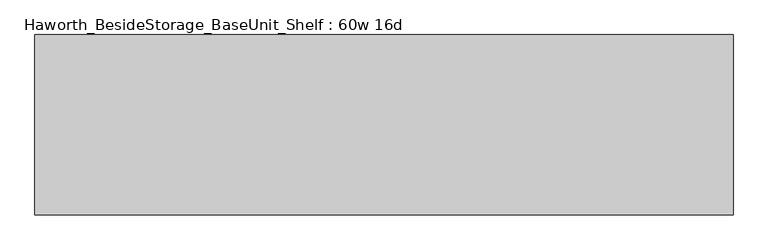
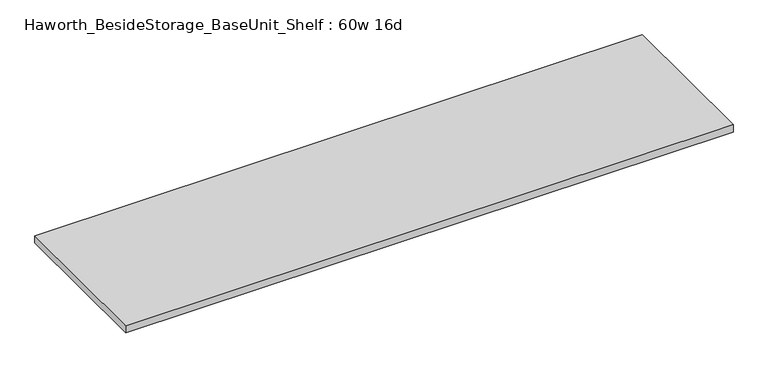
"""IFC4 building model written with IfcOpenShell, lengths in millimetres: furniture geometry, Haworth_BesideStorage_BaseUnit_Shelf : 60w 16d."""

import ifcopenshell
import ifcopenshell.guid

model = None  # the IFC model being written
_history = None  # IfcOwnerHistory: only IFC2X3 demands one
_inside = {}  # id of a spatial element -> (the spatial element, [elements in it])
_under = {}  # id of a project, library or spatial element -> (it, [spatial elements below it])
_declared = {}  # id of a project -> (the project, [libraries it declares])
_typed = {}  # id of a type object -> (the type object, [elements of that type])
_made_of = {}  # id of a material, layer set ... -> (it, [elements and type objects made of it])


def new_model(schema):
    """Start an empty IFC model of exactly this schema.

    Asked for "IFC4X3", IfcOpenShell would pick the latest addendum, in which some entities
    have other attributes; the version numbers below select the first issue.
    IFC2X3 requires an IfcOwnerHistory on every rooted entity: one is made here for all.
    """
    global model, _history
    if schema == "IFC4X3":
        model = ifcopenshell.file(schema_version=(4, 3, 0, 0))
    else:
        model = ifcopenshell.file(schema=schema)
    _inside.clear()
    _under.clear()
    _declared.clear()
    _typed.clear()
    _made_of.clear()
    _history = None
    if model.schema == "IFC2X3":
        org = make("IfcOrganization", Name="unknown")
        user = make(
            "IfcPersonAndOrganization",
            ThePerson=make("IfcPerson", FamilyName="unknown"),
            TheOrganization=org,
        )
        app = make(
            "IfcApplication",
            ApplicationDeveloper=org,
            Version="unknown",
            ApplicationFullName="unknown",
            ApplicationIdentifier="unknown",
        )
        _history = make(
            "IfcOwnerHistory",
            OwningUser=user,
            OwningApplication=app,
            ChangeAction="ADDED",
            CreationDate=0,
        )
    return model


def make(cls, **values):
    """One entity of the class cls with the attributes given. An attribute that is None is left unset."""
    return model.create_entity(
        cls, **{name: value for name, value in values.items() if value is not None}
    )


def rooted(cls, **values):
    """An entity with a GlobalId (a new one), such as an element, a storey or a relation."""
    return make(cls, GlobalId=ifcopenshell.guid.new(), OwnerHistory=_history, **values)


def si_unit(unit_type, name, prefix=None):
    """IfcSIUnit, for example si_unit("LENGTHUNIT", "METRE", prefix="MILLI")."""
    return make("IfcSIUnit", UnitType=unit_type, Prefix=prefix, Name=name)


def assignment(units):
    """IfcUnitAssignment: the units of a project."""
    return None if units is None else make("IfcUnitAssignment", Units=units)


def point(xyz):
    """IfcCartesianPoint."""
    return None if xyz is None else make("IfcCartesianPoint", Coordinates=xyz)


def direction(xyz):
    """IfcDirection."""
    return None if xyz is None else make("IfcDirection", DirectionRatios=xyz)


def frame(location, z_axis=None, x_axis=None):
    """IfcAxis2Placement3D, a coordinate frame: its origin and axes. An axis left out is left unset."""
    return make(
        "IfcAxis2Placement3D",
        Location=point(location),
        Axis=direction(z_axis),
        RefDirection=direction(x_axis),
    )


def origin():
    """The frame at (0, 0, 0) with its axes left unset."""
    return frame((0.0, 0.0, 0.0))


def place(relative_to, where):
    """IfcLocalPlacement: puts the frame where relative to a parent placement (None: the world)."""
    return make(
        "IfcLocalPlacement", PlacementRelTo=relative_to, RelativePlacement=where
    )


def context(
    kind, dimensions, precision=None, world=None, true_north=None, identifier=None
):
    """IfcGeometricRepresentationContext, for example the 3D "Model" context."""
    return make(
        "IfcGeometricRepresentationContext",
        ContextIdentifier=identifier,
        ContextType=kind,
        CoordinateSpaceDimension=dimensions,
        Precision=precision,
        WorldCoordinateSystem=world,
        TrueNorth=true_north,
    )


def project(units=None, contexts=None):
    """IfcProject with its units and contexts."""
    return rooted(
        "IfcProject",
        Name="project",
        RepresentationContexts=contexts,
        UnitsInContext=assignment(units),
    )


def spatial(cls, under=None, at=None, **own):
    """A site, building, storey or space (cls), placed at a placement, below another one or the project."""
    s = rooted(cls, ObjectPlacement=at, **own)
    if under is not None:
        _under.setdefault(under.id(), (under, []))[1].append(s)
    return s


def polyline(points):
    """IfcPolyline through the points."""
    return make("IfcPolyline", Points=[point(p) for p in points])


def outline(outer, holes=None, kind="AREA"):
    """IfcArbitraryClosedProfileDef: a profile drawn as a closed curve; with holes, ...WithVoids."""
    if holes is None:
        return make("IfcArbitraryClosedProfileDef", ProfileType=kind, OuterCurve=outer)
    return make(
        "IfcArbitraryProfileDefWithVoids",
        ProfileType=kind,
        OuterCurve=outer,
        InnerCurves=holes,
    )


def extrude(swept, where, along, depth):
    """IfcExtrudedAreaSolid: the profile swept, set in the frame where, extruded along a direction by depth."""
    return make(
        "IfcExtrudedAreaSolid",
        SweptArea=swept,
        Position=where,
        ExtrudedDirection=direction(along),
        Depth=depth,
    )


def shape(context_of_items, identifier, shape_type, items):
    """IfcShapeRepresentation: the items that make up one representation, for example the "Body"."""
    return make(
        "IfcShapeRepresentation",
        ContextOfItems=context_of_items,
        RepresentationIdentifier=identifier,
        RepresentationType=shape_type,
        Items=items,
    )


def source(mapping_origin, context_of_items, identifier, shape_type, items):
    """IfcRepresentationMap: a shape defined once, which mapped items show again and again."""
    return make(
        "IfcRepresentationMap",
        MappingOrigin=mapping_origin,
        MappedRepresentation=shape(context_of_items, identifier, shape_type, items),
    )


def transform(
    local_origin,
    x_axis=None,
    y_axis=None,
    z_axis=None,
    scale=None,
    scale2=None,
    scale3=None,
    uniform=True,
):
    """IfcCartesianTransformationOperator3D, or its non-uniform kind. x_axis, y_axis, z_axis: its Axis1, 2, 3."""
    if uniform:
        return make(
            "IfcCartesianTransformationOperator3D",
            Axis1=direction(x_axis),
            Axis2=direction(y_axis),
            LocalOrigin=point(local_origin),
            Scale=scale,
            Axis3=direction(z_axis),
        )
    return make(
        "IfcCartesianTransformationOperator3DnonUniform",
        Axis1=direction(x_axis),
        Axis2=direction(y_axis),
        LocalOrigin=point(local_origin),
        Scale=scale,
        Axis3=direction(z_axis),
        Scale2=scale2,
        Scale3=scale3,
    )


def mapped(mapping_source, mapping_target):
    """IfcMappedItem: shows the shape of a source again, moved by a transform."""
    return make(
        "IfcMappedItem", MappingSource=mapping_source, MappingTarget=mapping_target
    )


def made_of(thing, what):
    """Note that an element or type object is made of a material, layer set ...; save() writes the relation."""
    if what is not None:
        _made_of.setdefault(what.id(), (what, []))[1].append(thing)
    return thing


def element(
    cls,
    number,
    at=None,
    inside=None,
    cuts=None,
    type_object=None,
    material=None,
    context=None,
    identifier="Body",
    shape_type=None,
    held_by="IfcProductDefinitionShape",
    body=None,
    shapes=None,
    **own,
):
    """One element of the class cls, such as IfcWall. Its Tag is "e" and its number.

    at: its placement. inside: the storey or other place that contains it. cuts: it is an
    opening in that element (IfcRelVoidsElement). A single representation is given by context,
    identifier, shape_type and body (its items); several are given by shapes. held_by: the class
    of the entity that holds the representations. save() writes the other relations.
    """
    e = rooted(cls, Tag="e%d" % number, ObjectPlacement=at, **own)
    if body is not None:
        shapes = [shape(context, identifier, shape_type, body)]
    if shapes is not None:
        e.Representation = make(held_by, Representations=shapes)
    if inside is not None:
        _inside.setdefault(inside.id(), (inside, []))[1].append(e)
    if cuts is not None:
        rooted(
            "IfcRelVoidsElement", RelatingBuildingElement=cuts, RelatedOpeningElement=e
        )
    if type_object is not None:
        _typed.setdefault(type_object.id(), (type_object, []))[1].append(e)
    return made_of(e, material)


def aggregate(whole, parts):
    """IfcRelAggregates: a whole, such as a stair, and the parts it consists of."""
    return rooted("IfcRelAggregates", RelatingObject=whole, RelatedObjects=parts)


def save(model, path):
    """Write the relations noted so far, then the file.

    IfcRelAggregates (storeys below a building ...), IfcRelContainedInSpatialStructure (elements
    in a storey), IfcRelDefinesByType, IfcRelAssociatesMaterial and IfcRelDeclares: one each for
    every whole, place, type object, material and project.
    """
    for whole, parts in _under.values():
        aggregate(whole, parts)
    for where, things in _inside.values():
        rooted(
            "IfcRelContainedInSpatialStructure",
            RelatedElements=things,
            RelatingStructure=where,
        )
    for kind, things in _typed.values():
        rooted("IfcRelDefinesByType", RelatedObjects=things, RelatingType=kind)
    for what, things in _made_of.values():
        rooted("IfcRelAssociatesMaterial", RelatedObjects=things, RelatingMaterial=what)
    for by, libraries in _declared.values():
        rooted("IfcRelDeclares", RelatingContext=by, RelatedDefinitions=libraries)
    model.write(path)


def haworth_besidestorage_baseunit_shelf_60w_16d_7e3f6ddb(model_context):
    return source(origin(), model_context, "Body", "SweptSolid", [
        extrude(outline(polyline([(762.0, 196.85), (762.0, -196.85), (-762.0, -196.85), (-762.0, 196.85), (762.0, 196.85)])), frame((0.0, 0.0, 277.8125), z_axis=(0.0, 0.0, 1.0), x_axis=(1.0, 0.0, 0.0)), (0.0, 0.0, 1.0), 19.05),
    ])


if __name__ == "__main__":
    model = new_model("IFC4")
    model_context = context("Model", 3, world=origin())
    ifc_project = project(units=[si_unit("LENGTHUNIT", "METRE", prefix="MILLI")], contexts=[model_context])
    site = spatial("IfcSite", under=ifc_project)
    building = spatial("IfcBuilding", under=site)
    placement = place(None, origin())
    haworth_besidestorage_baseunit_shelf_60w_16d_shape = haworth_besidestorage_baseunit_shelf_60w_16d_7e3f6ddb(model_context)
    element("IfcFurniture", 1, ObjectType="Haworth_BesideStorage_BaseUnit_Shelf : 60w 16d", at=placement, inside=building, context=model_context, shape_type="MappedRepresentation", body=[
        mapped(haworth_besidestorage_baseunit_shelf_60w_16d_shape, transform((0.0, 0.0, 0.0), x_axis=(1.0, 0.0, 0.0), y_axis=(0.0, 1.0, 0.0), z_axis=(0.0, 0.0, 1.0))),
    ])
    save(model, "model.ifc")
